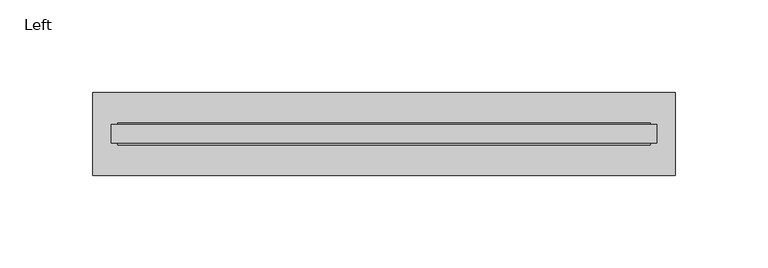
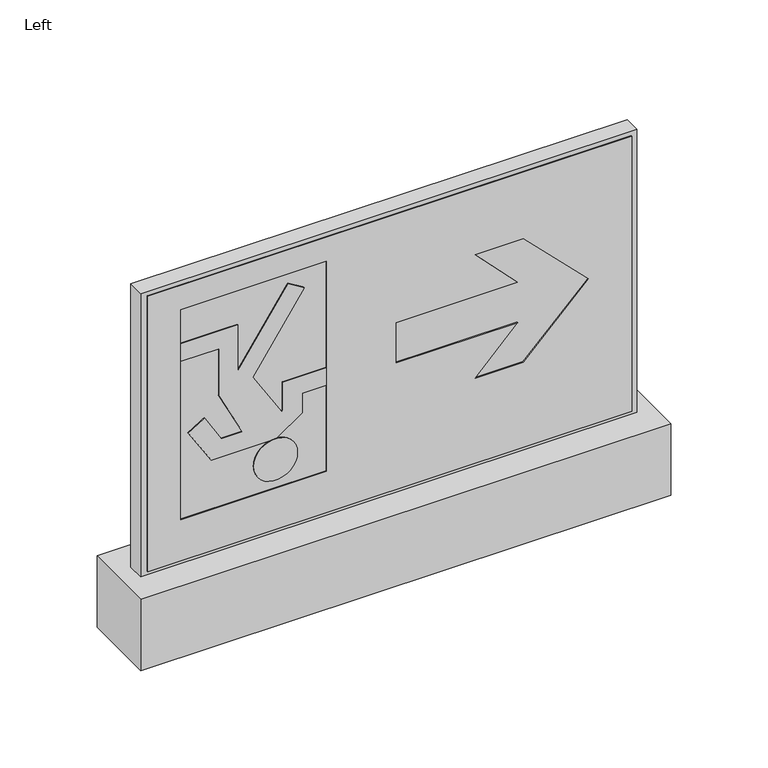
"""IFC4 building model written with IfcOpenShell, lengths in millimetres: light fixture geometry, Left."""

from ifc_helpers import new_model, si_unit, point, frame, frame_2d, origin, origin_with_axes, place, context, project, spatial, polyline, circle_curve, trimmed, segment, composite_curve, outline, extrude, source, transform, mapped, element, save


def left_dfd78292(model_context):
    return source(origin(), model_context, "Body", "SweptSolid", [
        extrude(outline(polyline([(147.5, 5.0), (147.5, -5.0), (-147.5, -5.0), (-147.5, 5.0), (147.5, 5.0)])), frame((0.0, 0.0, 45.0), z_axis=(0.0, 0.0, 1.0), x_axis=(1.0, 0.0, 0.0)), (0.0, 0.0, 1.0), 178.0),
        extrude(outline(polyline([(157.5, 22.5), (157.5, -22.5), (-157.5, -22.5), (-157.5, 22.5), (157.5, 22.5)])), origin_with_axes(), (0.0, 0.0, 1.0), 45.0),
        extrude(outline(composite_curve([segment(trimmed(circle_curve(frame_2d((91.4617049, -67.8544593)), 13.0), [point((91.4617049, -80.8544593))], [point((91.4617049, -54.8544593))], False, "CARTESIAN"), True, "CONTINUOUS"), segment(trimmed(circle_curve(frame_2d((91.4617049, -67.8544593)), 13.0), [point((91.4617049, -54.8544593))], [point((91.4617049, -80.8544593))], False, "CARTESIAN"), True, "CONTINUOUS")], self_intersect=False)), frame((0.0, -6.0, 0.0), z_axis=(0.0, 1.0, 0.0), x_axis=(0.0, 0.0, 1.0)), (0.0, 0.0, 1.0), 12.0),
        extrude(outline(polyline([(127.3976962, -52.0232796), (127.3976962, -37.6123637), (138.3976962, -37.6123637), (138.3976962, -63.6123637), (120.858827, -63.6123637), (120.2584024, -64.2127883), (147.9449912, -81.5132891), (193.5420577, -50.7576794), (199.3625192, -60.4445541), (154.8643683, -90.4589358), (183.8984821, -90.4589358), (183.8984821, -124.1079391), (172.8984821, -124.1079391), (172.8984821, -101.4589358), (142.8984821, -101.4589358), (115.7344261, -87.618158), (115.7344261, -100.1323433), (132.1954016, -110.0230953), (126.1388867, -119.7155451), (104.4617049, -106.1701386), (104.4617049, -67.8601632), (115.1438178, -52.0232796), (127.3976962, -52.0232796)])), frame((0.0, -6.0, 0.0), z_axis=(0.0, 1.0, 0.0), x_axis=(0.0, 0.0, 1.0)), (0.0, 0.0, 1.0), 12.0),
        extrude(outline(polyline([(47.5, -143.8582677), (47.5, 143.8582677), (220.5, 143.8582677), (220.5, -143.8582677), (47.5, -143.8582677)]), holes=[polyline([(139.7914045, 118.1077506), (101.0496606, 79.3660067), (101.0496606, 50.7485045), (127.1643124, 75.9671306), (127.1643124, 3.7611195), (152.4184966, 3.7611195), (152.4184966, 75.9671306), (178.5331484, 50.7485045), (178.5331484, 79.3660067), (139.7914045, 118.1077506)]), polyline([(73.3740017, -124.1079391), (205.3740017, -124.1079391), (205.3740017, -37.6123637), (73.3740017, -37.6123637), (73.3740017, -124.1079391)])]), frame((0.0, -6.0, 0.0), z_axis=(0.0, 1.0, 0.0), x_axis=(0.0, 0.0, 1.0)), (0.0, 0.0, 1.0), 12.0),
    ])


if __name__ == "__main__":
    model = new_model("IFC4")
    model_context = context("Model", 3, world=origin())
    ifc_project = project(units=[si_unit("LENGTHUNIT", "METRE", prefix="MILLI")], contexts=[model_context])
    site = spatial("IfcSite", under=ifc_project)
    building = spatial("IfcBuilding", under=site)
    placement = place(None, origin())
    left_shape = left_dfd78292(model_context)
    element("IfcLightFixture", 1, ObjectType="Left", at=placement, inside=building, context=model_context, shape_type="MappedRepresentation", body=[
        mapped(left_shape, transform((0.0, 0.0, 0.0), x_axis=(1.0, 0.0, 0.0), y_axis=(0.0, 1.0, 0.0), z_axis=(0.0, 0.0, 1.0))),
    ])
    save(model, "model.ifc")
